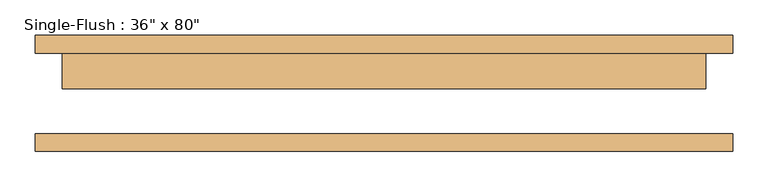
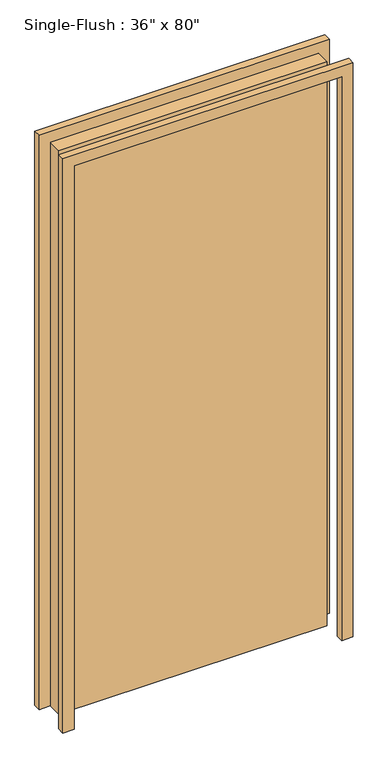
"""IFC4 building model written with IfcOpenShell, lengths in millimetres: door geometry."""

import ifcopenshell
import ifcopenshell.guid

model = None  # the IFC model being written
_history = None  # IfcOwnerHistory: only IFC2X3 demands one
_inside = {}  # id of a spatial element -> (the spatial element, [elements in it])
_under = {}  # id of a project, library or spatial element -> (it, [spatial elements below it])
_declared = {}  # id of a project -> (the project, [libraries it declares])
_typed = {}  # id of a type object -> (the type object, [elements of that type])
_made_of = {}  # id of a material, layer set ... -> (it, [elements and type objects made of it])


def new_model(schema):
    """Start an empty IFC model of exactly this schema.

    Asked for "IFC4X3", IfcOpenShell would pick the latest addendum, in which some entities
    have other attributes; the version numbers below select the first issue.
    IFC2X3 requires an IfcOwnerHistory on every rooted entity: one is made here for all.
    """
    global model, _history
    if schema == "IFC4X3":
        model = ifcopenshell.file(schema_version=(4, 3, 0, 0))
    else:
        model = ifcopenshell.file(schema=schema)
    _inside.clear()
    _under.clear()
    _declared.clear()
    _typed.clear()
    _made_of.clear()
    _history = None
    if model.schema == "IFC2X3":
        org = make("IfcOrganization", Name="unknown")
        user = make(
            "IfcPersonAndOrganization",
            ThePerson=make("IfcPerson", FamilyName="unknown"),
            TheOrganization=org,
        )
        app = make(
            "IfcApplication",
            ApplicationDeveloper=org,
            Version="unknown",
            ApplicationFullName="unknown",
            ApplicationIdentifier="unknown",
        )
        _history = make(
            "IfcOwnerHistory",
            OwningUser=user,
            OwningApplication=app,
            ChangeAction="ADDED",
            CreationDate=0,
        )
    return model


def make(cls, **values):
    """One entity of the class cls with the attributes given. An attribute that is None is left unset."""
    return model.create_entity(
        cls, **{name: value for name, value in values.items() if value is not None}
    )


def rooted(cls, **values):
    """An entity with a GlobalId (a new one), such as an element, a storey or a relation."""
    return make(cls, GlobalId=ifcopenshell.guid.new(), OwnerHistory=_history, **values)


def si_unit(unit_type, name, prefix=None):
    """IfcSIUnit, for example si_unit("LENGTHUNIT", "METRE", prefix="MILLI")."""
    return make("IfcSIUnit", UnitType=unit_type, Prefix=prefix, Name=name)


def assignment(units):
    """IfcUnitAssignment: the units of a project."""
    return None if units is None else make("IfcUnitAssignment", Units=units)


def point(xyz):
    """IfcCartesianPoint."""
    return None if xyz is None else make("IfcCartesianPoint", Coordinates=xyz)


def direction(xyz):
    """IfcDirection."""
    return None if xyz is None else make("IfcDirection", DirectionRatios=xyz)


def frame(location, z_axis=None, x_axis=None):
    """IfcAxis2Placement3D, a coordinate frame: its origin and axes. An axis left out is left unset."""
    return make(
        "IfcAxis2Placement3D",
        Location=point(location),
        Axis=direction(z_axis),
        RefDirection=direction(x_axis),
    )


def origin():
    """The frame at (0, 0, 0) with its axes left unset."""
    return frame((0.0, 0.0, 0.0))


def origin_with_axes():
    """The frame at (0, 0, 0) with the z axis (0, 0, 1) and the x axis (1, 0, 0) written out."""
    return frame((0.0, 0.0, 0.0), z_axis=(0.0, 0.0, 1.0), x_axis=(1.0, 0.0, 0.0))


def place(relative_to, where):
    """IfcLocalPlacement: puts the frame where relative to a parent placement (None: the world)."""
    return make(
        "IfcLocalPlacement", PlacementRelTo=relative_to, RelativePlacement=where
    )


def context(
    kind, dimensions, precision=None, world=None, true_north=None, identifier=None
):
    """IfcGeometricRepresentationContext, for example the 3D "Model" context."""
    return make(
        "IfcGeometricRepresentationContext",
        ContextIdentifier=identifier,
        ContextType=kind,
        CoordinateSpaceDimension=dimensions,
        Precision=precision,
        WorldCoordinateSystem=world,
        TrueNorth=true_north,
    )


def project(units=None, contexts=None):
    """IfcProject with its units and contexts."""
    return rooted(
        "IfcProject",
        Name="project",
        RepresentationContexts=contexts,
        UnitsInContext=assignment(units),
    )


def spatial(cls, under=None, at=None, **own):
    """A site, building, storey or space (cls), placed at a placement, below another one or the project."""
    s = rooted(cls, ObjectPlacement=at, **own)
    if under is not None:
        _under.setdefault(under.id(), (under, []))[1].append(s)
    return s


def polyline(points):
    """IfcPolyline through the points."""
    return make("IfcPolyline", Points=[point(p) for p in points])


def outline(outer, holes=None, kind="AREA"):
    """IfcArbitraryClosedProfileDef: a profile drawn as a closed curve; with holes, ...WithVoids."""
    if holes is None:
        return make("IfcArbitraryClosedProfileDef", ProfileType=kind, OuterCurve=outer)
    return make(
        "IfcArbitraryProfileDefWithVoids",
        ProfileType=kind,
        OuterCurve=outer,
        InnerCurves=holes,
    )


def extrude(swept, where, along, depth):
    """IfcExtrudedAreaSolid: the profile swept, set in the frame where, extruded along a direction by depth."""
    return make(
        "IfcExtrudedAreaSolid",
        SweptArea=swept,
        Position=where,
        ExtrudedDirection=direction(along),
        Depth=depth,
    )


def shape(context_of_items, identifier, shape_type, items):
    """IfcShapeRepresentation: the items that make up one representation, for example the "Body"."""
    return make(
        "IfcShapeRepresentation",
        ContextOfItems=context_of_items,
        RepresentationIdentifier=identifier,
        RepresentationType=shape_type,
        Items=items,
    )


def source(mapping_origin, context_of_items, identifier, shape_type, items):
    """IfcRepresentationMap: a shape defined once, which mapped items show again and again."""
    return make(
        "IfcRepresentationMap",
        MappingOrigin=mapping_origin,
        MappedRepresentation=shape(context_of_items, identifier, shape_type, items),
    )


def transform(
    local_origin,
    x_axis=None,
    y_axis=None,
    z_axis=None,
    scale=None,
    scale2=None,
    scale3=None,
    uniform=True,
):
    """IfcCartesianTransformationOperator3D, or its non-uniform kind. x_axis, y_axis, z_axis: its Axis1, 2, 3."""
    if uniform:
        return make(
            "IfcCartesianTransformationOperator3D",
            Axis1=direction(x_axis),
            Axis2=direction(y_axis),
            LocalOrigin=point(local_origin),
            Scale=scale,
            Axis3=direction(z_axis),
        )
    return make(
        "IfcCartesianTransformationOperator3DnonUniform",
        Axis1=direction(x_axis),
        Axis2=direction(y_axis),
        LocalOrigin=point(local_origin),
        Scale=scale,
        Axis3=direction(z_axis),
        Scale2=scale2,
        Scale3=scale3,
    )


def mapped(mapping_source, mapping_target):
    """IfcMappedItem: shows the shape of a source again, moved by a transform."""
    return make(
        "IfcMappedItem", MappingSource=mapping_source, MappingTarget=mapping_target
    )


def made_of(thing, what):
    """Note that an element or type object is made of a material, layer set ...; save() writes the relation."""
    if what is not None:
        _made_of.setdefault(what.id(), (what, []))[1].append(thing)
    return thing


def element(
    cls,
    number,
    at=None,
    inside=None,
    cuts=None,
    type_object=None,
    material=None,
    context=None,
    identifier="Body",
    shape_type=None,
    held_by="IfcProductDefinitionShape",
    body=None,
    shapes=None,
    **own,
):
    """One element of the class cls, such as IfcWall. Its Tag is "e" and its number.

    at: its placement. inside: the storey or other place that contains it. cuts: it is an
    opening in that element (IfcRelVoidsElement). A single representation is given by context,
    identifier, shape_type and body (its items); several are given by shapes. held_by: the class
    of the entity that holds the representations. save() writes the other relations.
    """
    e = rooted(cls, Tag="e%d" % number, ObjectPlacement=at, **own)
    if body is not None:
        shapes = [shape(context, identifier, shape_type, body)]
    if shapes is not None:
        e.Representation = make(held_by, Representations=shapes)
    if inside is not None:
        _inside.setdefault(inside.id(), (inside, []))[1].append(e)
    if cuts is not None:
        rooted(
            "IfcRelVoidsElement", RelatingBuildingElement=cuts, RelatedOpeningElement=e
        )
    if type_object is not None:
        _typed.setdefault(type_object.id(), (type_object, []))[1].append(e)
    return made_of(e, material)


def aggregate(whole, parts):
    """IfcRelAggregates: a whole, such as a stair, and the parts it consists of."""
    return rooted("IfcRelAggregates", RelatingObject=whole, RelatedObjects=parts)


def save(model, path):
    """Write the relations noted so far, then the file.

    IfcRelAggregates (storeys below a building ...), IfcRelContainedInSpatialStructure (elements
    in a storey), IfcRelDefinesByType, IfcRelAssociatesMaterial and IfcRelDeclares: one each for
    every whole, place, type object, material and project.
    """
    for whole, parts in _under.values():
        aggregate(whole, parts)
    for where, things in _inside.values():
        rooted(
            "IfcRelContainedInSpatialStructure",
            RelatedElements=things,
            RelatingStructure=where,
        )
    for kind, things in _typed.values():
        rooted("IfcRelDefinesByType", RelatedObjects=things, RelatingType=kind)
    for what, things in _made_of.values():
        rooted("IfcRelAssociatesMaterial", RelatedObjects=things, RelatingMaterial=what)
    for by, libraries in _declared.values():
        rooted("IfcRelDeclares", RelatingContext=by, RelatedDefinitions=libraries)
    model.write(path)


def door_de9752fb(model_context):
    return source(origin(), model_context, "Body", "SweptSolid", [
        extrude(outline(polyline([(2070.1, -495.3), (0.0, -495.3), (0.0, -457.2), (2032.0, -457.2), (2032.0, 457.2), (0.0, 457.2), (0.0, 495.3), (2070.1, 495.3), (2070.1, -495.3)])), frame((0.0, 57.15, 0.0), z_axis=(0.0, 1.0, 0.0), x_axis=(0.0, 0.0, 1.0)), (0.0, 0.0, 1.0), 25.4),
        extrude(outline(polyline([(2070.1, 495.3), (2070.1, -495.3), (0.0, -495.3), (0.0, -457.2), (2032.0, -457.2), (2032.0, 457.2), (0.0, 457.2), (0.0, 495.3), (2070.1, 495.3)])), frame((0.0, -82.55, 0.0), z_axis=(0.0, 1.0, 0.0), x_axis=(0.0, 0.0, 1.0)), (0.0, 0.0, 1.0), 25.4),
        extrude(outline(polyline([(457.2, 6.35), (-457.2, 6.35), (-457.2, 57.15), (457.2, 57.15), (457.2, 6.35)])), origin_with_axes(), (0.0, 0.0, 1.0), 2032.0),
    ])


if __name__ == "__main__":
    model = new_model("IFC4")
    model_context = context("Model", 3, world=origin())
    ifc_project = project(units=[si_unit("LENGTHUNIT", "METRE", prefix="MILLI")], contexts=[model_context])
    site = spatial("IfcSite", under=ifc_project)
    building = spatial("IfcBuilding", under=site)
    placement = place(None, origin())
    door_shape = door_de9752fb(model_context)
    element("IfcDoor", 1, ObjectType="Single-Flush : 36\" x 80\"", at=placement, inside=building, context=model_context, shape_type="MappedRepresentation", body=[
        mapped(door_shape, transform((0.0, 0.0, 0.0), x_axis=(1.0, 0.0, 0.0), y_axis=(0.0, 1.0, 0.0), z_axis=(0.0, 0.0, 1.0))),
    ])
    save(model, "model.ifc")
